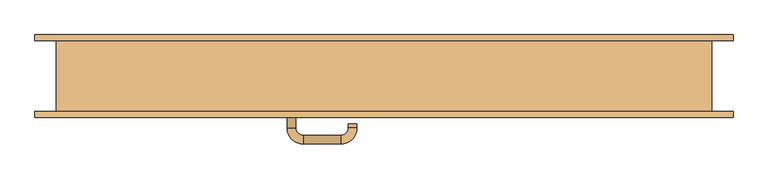
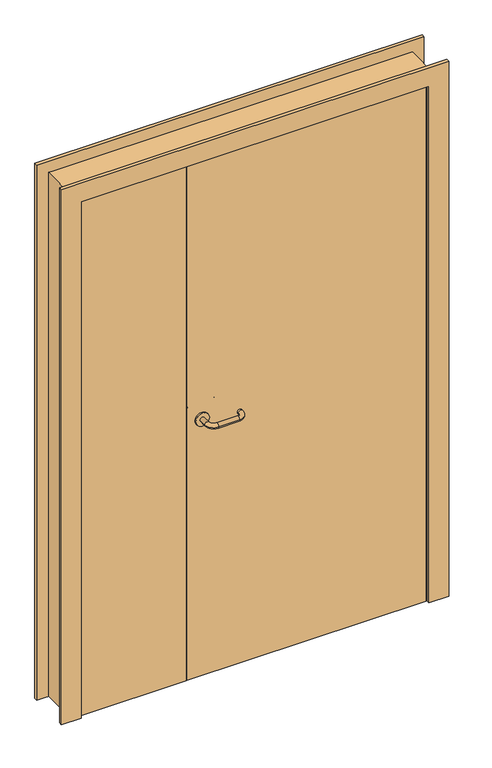
"""IFC4 building model written with IfcOpenShell, lengths in millimetres: door geometry."""

from ifc_helpers import new_model, si_unit, point, frame, origin, origin_with_axes, place, context, project, spatial, polyline, circle_curve, ellipse_curve, trimmed, outline, extrude, faceted_brep, source, transform, mapped, element, save
from ifc_brep_helpers import plane_surface, cylinder_surface, revolved_surface, advanced_brep


def door_76f3fa98(model_context):
    return source(origin(), model_context, "Body", "SolidModel", [
        advanced_brep(
        [(-169.0, -75.0, 1030.0), (-221.0, -75.0, 1030.0), (-186.0, -108.9849603, 1030.0), (-186.0, -80.0, 1030.0), (-204.0, -80.0, 1030.0), (-204.0, -108.9849603, 1030.0), (-170.0, -142.9849603, 1030.0), (-170.0, -124.9849603, 1030.0), (-91.0, -142.9849603, 1030.0), (-91.0, -124.9849603, 1030.0), (-57.0, -108.9849603, 1030.0), (-75.0, -108.9849603, 1030.0), (-75.0, -100.9849603, 1030.0), (-57.0, -100.9849603, 1030.0), (-169.0, -80.0, 1030.0), (-221.0, -80.0, 1030.0)],
        [
            (0, 1, circle_curve(frame((-195.0, -75.0, 1030.0), z_axis=(0.0, 1.0, 0.0), x_axis=(-1.0, 0.0, 0.0)), 26.0)),
            (1, 0, circle_curve(frame((-195.0, -75.0, 1030.0), z_axis=(0.0, 1.0, 0.0), x_axis=(-1.0, 0.0, 0.0)), 26.0)),
            (2, 3),
            (3, 4, circle_curve(frame((-195.0, -80.0, 1030.0), z_axis=(0.0, -1.0, 0.0), x_axis=(-1.0, 0.0, 0.0)), 9.0)),
            (4, 5),
            (5, 2, circle_curve(frame((-195.0, -108.9849603, 1030.0), z_axis=(0.0, 1.0, 0.0), x_axis=(-1.0, 0.0, 0.0)), 9.0)),
            (4, 3, circle_curve(frame((-195.0, -80.0, 1030.0), z_axis=(0.0, -1.0, 0.0), x_axis=(-1.0, 0.0, 0.0)), 9.0)),
            (2, 5, circle_curve(frame((-195.0, -108.9849603, 1030.0), z_axis=(0.0, 1.0, 0.0), x_axis=(-1.0, 0.0, 0.0)), 9.0)),
            (5, 6, circle_curve(frame((-170.0, -108.9849603, 1030.0), z_axis=(0.0, 0.0, 1.0), x_axis=(-1.0, 0.0, 0.0)), 34.0)),
            (6, 7, circle_curve(frame((-170.0, -133.9849603, 1030.0), z_axis=(-1.0, 0.0, 0.0), x_axis=(0.0, -1.0, 0.0)), 9.0)),
            (7, 2, circle_curve(frame((-170.0, -108.9849603, 1030.0), z_axis=(0.0, 0.0, -1.0), x_axis=(-1.0, 0.0, 0.0)), 16.0)),
            (7, 6, circle_curve(frame((-170.0, -133.9849603, 1030.0), z_axis=(-1.0, 0.0, 0.0), x_axis=(0.0, -1.0, 0.0)), 9.0)),
            (6, 8),
            (8, 9, circle_curve(frame((-91.0, -133.9849603, 1030.0), z_axis=(-1.0, 0.0, 0.0), x_axis=(0.0, -1.0, 0.0)), 9.0)),
            (9, 7),
            (9, 8, circle_curve(frame((-91.0, -133.9849603, 1030.0), z_axis=(-1.0, 0.0, 0.0), x_axis=(0.0, -1.0, 0.0)), 9.0)),
            (8, 10, circle_curve(frame((-91.0, -108.9849603, 1030.0), z_axis=(0.0, 0.0, 1.0), x_axis=(0.0, -1.0, 0.0)), 34.0)),
            (10, 11, circle_curve(frame((-66.0, -108.9849603, 1030.0), z_axis=(0.0, -1.0, 0.0), x_axis=(1.0, 0.0, 0.0)), 9.0)),
            (11, 9, circle_curve(frame((-91.0, -108.9849603, 1030.0), z_axis=(0.0, 0.0, -1.0), x_axis=(0.0, -1.0, 0.0)), 16.0)),
            (11, 10, circle_curve(frame((-66.0, -108.9849603, 1030.0), z_axis=(0.0, -1.0, 0.0), x_axis=(1.0, 0.0, 0.0)), 9.0)),
            (12, 13, circle_curve(frame((-66.0, -100.9849603, 1030.0), z_axis=(0.0, 1.0, 0.0), x_axis=(1.0, 0.0, 0.0)), 9.0)),
            (13, 12, circle_curve(frame((-66.0, -100.9849603, 1030.0), z_axis=(0.0, 1.0, 0.0), x_axis=(1.0, 0.0, 0.0)), 9.0)),
            (10, 13),
            (12, 11),
            (14, 15, circle_curve(frame((-195.0, -80.0, 1030.0), z_axis=(0.0, -1.0, 0.0), x_axis=(-1.0, 0.0, 0.0)), 26.0)),
            (15, 14, circle_curve(frame((-195.0, -80.0, 1030.0), z_axis=(0.0, -1.0, 0.0), x_axis=(-1.0, 0.0, 0.0)), 26.0)),
            (15, 1),
            (0, 14),
        ],
        [
            plane_surface(frame((-195.0, -75.0, 1030.0), z_axis=(0.0, 1.0, 0.0), x_axis=(0.0, 0.0, 1.0))),
            cylinder_surface(frame((-195.0, -75.0, 1030.0), z_axis=(0.0, 1.0, 0.0), x_axis=(-1.0, 0.0, 0.0)), 9.0),
            revolved_surface(trimmed(ellipse_curve(frame((-195.0, -108.9849603, 1030.0), z_axis=(0.0, -1.0, 0.0), x_axis=(-1.0, 0.0, 0.0)), 9.0, 9.0), [point((-186.0, -108.9849603, 1030.0))], [point((-204.0, -108.9849603, 1030.0))], True, "CARTESIAN"), (-170.0, -108.9849603, 1030.0), (0.0, 0.0, -1.0)),
            revolved_surface(trimmed(ellipse_curve(frame((-195.0, -108.9849603, 1030.0), z_axis=(0.0, -1.0, 0.0), x_axis=(-1.0, 0.0, 0.0)), 9.0, 9.0), [point((-204.0, -108.9849603, 1030.0))], [point((-186.0, -108.9849603, 1030.0))], True, "CARTESIAN"), (-170.0, -108.9849603, 1030.0), (0.0, 0.0, -1.0)),
            cylinder_surface(frame((-170.0, -133.9849603, 1030.0), z_axis=(-1.0, 0.0, 0.0), x_axis=(0.0, -1.0, 0.0)), 9.0),
            revolved_surface(trimmed(ellipse_curve(frame((-91.0, -133.9849603, 1030.0), z_axis=(1.0, 0.0, 0.0), x_axis=(0.0, -1.0, 0.0)), 9.0, 9.0), [point((-91.0, -124.9849603, 1030.0))], [point((-91.0, -142.9849603, 1030.0))], True, "CARTESIAN"), (-91.0, -108.9849603, 1030.0), (0.0, 0.0, -1.0)),
            revolved_surface(trimmed(ellipse_curve(frame((-91.0, -133.9849603, 1030.0), z_axis=(1.0, 0.0, 0.0), x_axis=(0.0, -1.0, 0.0)), 9.0, 9.0), [point((-91.0, -142.9849603, 1030.0))], [point((-91.0, -124.9849603, 1030.0))], True, "CARTESIAN"), (-91.0, -108.9849603, 1030.0), (0.0, 0.0, -1.0)),
            plane_surface(frame((-66.0, -100.9849603, 1030.0), z_axis=(0.0, 1.0, 0.0), x_axis=(0.0, 0.0, 1.0))),
            cylinder_surface(frame((-66.0, -108.9849603, 1030.0), z_axis=(0.0, -1.0, 0.0), x_axis=(1.0, 0.0, 0.0)), 9.0),
            plane_surface(frame((-221.0, -80.0, 1030.0), z_axis=(0.0, -1.0, 0.0), x_axis=(0.0, 0.0, 1.0))),
            cylinder_surface(frame((-195.0, -75.0, 1030.0), z_axis=(0.0, -1.0, 0.0), x_axis=(-1.0, 0.0, 0.0)), 26.0),
        ],
        [
            (0, [[1, 2]]),
            (1, [[3, 4, 5, 6]]),
            (1, [[-5, 7, -3, 8]]),
            (2, [[9, 10, 11, -6]]),
            (3, [[-11, 12, -9, -8]]),
            (4, [[13, 14, 15, -10]]),
            (4, [[-15, 16, -13, -12]]),
            (5, [[17, 18, 19, -14]]),
            (6, [[-19, 20, -17, -16]]),
            (7, [[21, 22]]),
            (8, [[23, -21, 24, -18]]),
            (8, [[-24, -22, -23, -20]]),
            (9, [[25, 26], [-7, -4]]),
            (10, [[27, -1, 28, -26]]),
            (10, [[-28, -2, -27, -25]]),
        ],
    ),
        advanced_brep(
        [(-169.0, -35.0, 1030.0), (-221.0, -35.0, 1030.0), (-186.0, -1.0150397, 1030.0), (-204.0, -1.0150397, 1030.0), (-204.0, -30.0, 1030.0), (-186.0, -30.0, 1030.0), (-170.0, 14.9849603, 1030.0), (-170.0, 32.9849603, 1030.0), (-91.0, 14.9849603, 1030.0), (-91.0, 32.9849603, 1030.0), (-75.0, -1.0150397, 1030.0), (-57.0, -1.0150397, 1030.0), (-75.0, -9.0150397, 1030.0), (-57.0, -9.0150397, 1030.0), (-169.0, -30.0, 1030.0), (-221.0, -30.0, 1030.0)],
        [
            (0, 1, circle_curve(frame((-195.0, -35.0, 1030.0), z_axis=(0.0, -1.0, 0.0), x_axis=(-1.0, 0.0, 0.0)), 26.0)),
            (1, 0, circle_curve(frame((-195.0, -35.0, 1030.0), z_axis=(0.0, -1.0, 0.0), x_axis=(-1.0, 0.0, 0.0)), 26.0)),
            (2, 3, circle_curve(frame((-195.0, -1.0150397, 1030.0), z_axis=(0.0, -1.0, 0.0), x_axis=(-1.0, 0.0, 0.0)), 9.0)),
            (3, 4),
            (4, 5, circle_curve(frame((-195.0, -30.0, 1030.0), z_axis=(0.0, 1.0, 0.0), x_axis=(-1.0, 0.0, 0.0)), 9.0)),
            (5, 2),
            (3, 2, circle_curve(frame((-195.0, -1.0150397, 1030.0), z_axis=(0.0, -1.0, 0.0), x_axis=(-1.0, 0.0, 0.0)), 9.0)),
            (5, 4, circle_curve(frame((-195.0, -30.0, 1030.0), z_axis=(0.0, 1.0, 0.0), x_axis=(-1.0, 0.0, 0.0)), 9.0)),
            (2, 6, circle_curve(frame((-170.0, -1.0150397, 1030.0), z_axis=(0.0, 0.0, -1.0), x_axis=(-1.0, 0.0, 0.0)), 16.0)),
            (6, 7, circle_curve(frame((-170.0, 23.9849603, 1030.0), z_axis=(-1.0, 0.0, 0.0), x_axis=(0.0, 1.0, 0.0)), 9.0)),
            (7, 3, circle_curve(frame((-170.0, -1.0150397, 1030.0), z_axis=(0.0, 0.0, 1.0), x_axis=(-1.0, 0.0, 0.0)), 34.0)),
            (7, 6, circle_curve(frame((-170.0, 23.9849603, 1030.0), z_axis=(-1.0, 0.0, 0.0), x_axis=(0.0, 1.0, 0.0)), 9.0)),
            (6, 8),
            (8, 9, circle_curve(frame((-91.0, 23.9849603, 1030.0), z_axis=(-1.0, 0.0, 0.0), x_axis=(0.0, 1.0, 0.0)), 9.0)),
            (9, 7),
            (9, 8, circle_curve(frame((-91.0, 23.9849603, 1030.0), z_axis=(-1.0, 0.0, 0.0), x_axis=(0.0, 1.0, 0.0)), 9.0)),
            (8, 10, circle_curve(frame((-91.0, -1.0150397, 1030.0), z_axis=(0.0, 0.0, -1.0), x_axis=(0.0, 1.0, 0.0)), 16.0)),
            (10, 11, circle_curve(frame((-66.0, -1.0150397, 1030.0), z_axis=(0.0, 1.0, 0.0), x_axis=(1.0, 0.0, 0.0)), 9.0)),
            (11, 9, circle_curve(frame((-91.0, -1.0150397, 1030.0), z_axis=(0.0, 0.0, 1.0), x_axis=(0.0, 1.0, 0.0)), 34.0)),
            (11, 10, circle_curve(frame((-66.0, -1.0150397, 1030.0), z_axis=(0.0, 1.0, 0.0), x_axis=(1.0, 0.0, 0.0)), 9.0)),
            (12, 13, circle_curve(frame((-66.0, -9.0150397, 1030.0), z_axis=(0.0, -1.0, 0.0), x_axis=(1.0, 0.0, 0.0)), 9.0)),
            (13, 12, circle_curve(frame((-66.0, -9.0150397, 1030.0), z_axis=(0.0, -1.0, 0.0), x_axis=(1.0, 0.0, 0.0)), 9.0)),
            (10, 12),
            (13, 11),
            (14, 15, circle_curve(frame((-195.0, -30.0, 1030.0), z_axis=(0.0, 1.0, 0.0), x_axis=(-1.0, 0.0, 0.0)), 26.0)),
            (15, 14, circle_curve(frame((-195.0, -30.0, 1030.0), z_axis=(0.0, 1.0, 0.0), x_axis=(-1.0, 0.0, 0.0)), 26.0)),
            (14, 0),
            (1, 15),
        ],
        [
            plane_surface(frame((-195.0, -35.0, 1030.0), z_axis=(0.0, -1.0, 0.0), x_axis=(0.0, 0.0, 1.0))),
            cylinder_surface(frame((-195.0, -35.0, 1030.0), z_axis=(0.0, -1.0, 0.0), x_axis=(-1.0, 0.0, 0.0)), 9.0),
            revolved_surface(trimmed(ellipse_curve(frame((-195.0, -1.0150397, 1030.0), z_axis=(0.0, -1.0, 0.0), x_axis=(-1.0, 0.0, 0.0)), 9.0, 9.0), [point((-186.0, -1.0150397, 1030.0))], [point((-204.0, -1.0150397, 1030.0))], True, "CARTESIAN"), (-170.0, -1.0150397, 1030.0), (0.0, 0.0, -1.0)),
            revolved_surface(trimmed(ellipse_curve(frame((-195.0, -1.0150397, 1030.0), z_axis=(0.0, -1.0, 0.0), x_axis=(-1.0, 0.0, 0.0)), 9.0, 9.0), [point((-204.0, -1.0150397, 1030.0))], [point((-186.0, -1.0150397, 1030.0))], True, "CARTESIAN"), (-170.0, -1.0150397, 1030.0), (0.0, 0.0, -1.0)),
            cylinder_surface(frame((-170.0, 23.9849603, 1030.0), z_axis=(-1.0, 0.0, 0.0), x_axis=(0.0, 1.0, 0.0)), 9.0),
            revolved_surface(trimmed(ellipse_curve(frame((-91.0, 23.9849603, 1030.0), z_axis=(-1.0, 0.0, 0.0), x_axis=(0.0, 1.0, 0.0)), 9.0, 9.0), [point((-91.0, 14.9849603, 1030.0))], [point((-91.0, 32.9849603, 1030.0))], True, "CARTESIAN"), (-91.0, -1.0150397, 1030.0), (0.0, 0.0, -1.0)),
            revolved_surface(trimmed(ellipse_curve(frame((-91.0, 23.9849603, 1030.0), z_axis=(-1.0, 0.0, 0.0), x_axis=(0.0, 1.0, 0.0)), 9.0, 9.0), [point((-91.0, 32.9849603, 1030.0))], [point((-91.0, 14.9849603, 1030.0))], True, "CARTESIAN"), (-91.0, -1.0150397, 1030.0), (0.0, 0.0, -1.0)),
            plane_surface(frame((-66.0, -9.0150397, 1030.0), z_axis=(0.0, -1.0, 0.0), x_axis=(0.0, 0.0, 1.0))),
            cylinder_surface(frame((-66.0, -1.0150397, 1030.0), z_axis=(0.0, 1.0, 0.0), x_axis=(1.0, 0.0, 0.0)), 9.0),
            plane_surface(frame((-221.0, -30.0, 1030.0), z_axis=(0.0, 1.0, 0.0), x_axis=(0.0, 0.0, 1.0))),
            cylinder_surface(frame((-195.0, -35.0, 1030.0), z_axis=(0.0, 1.0, 0.0), x_axis=(-1.0, 0.0, 0.0)), 26.0),
        ],
        [
            (0, [[1, 2]]),
            (1, [[3, 4, 5, 6]]),
            (1, [[7, -6, 8, -4]]),
            (2, [[-3, 9, 10, 11]]),
            (3, [[-7, -11, 12, -9]]),
            (4, [[-10, 13, 14, 15]]),
            (4, [[-12, -15, 16, -13]]),
            (5, [[-14, 17, 18, 19]]),
            (6, [[-16, -19, 20, -17]]),
            (7, [[21, 22]]),
            (8, [[-18, 23, -22, 24]]),
            (8, [[-20, -24, -21, -23]]),
            (9, [[25, 26], [-5, -8]]),
            (10, [[-25, 27, -2, 28]]),
            (10, [[-26, -28, -1, -27]]),
        ],
    ),
        extrude(outline(polyline([(2070.0, -660.0), (2070.0, 660.0), (0.0, 660.0), (0.0, 735.0), (2145.0, 735.0), (2145.0, -735.0), (0.0, -735.0), (0.0, -660.0), (2070.0, -660.0)])), frame((0.0, 75.0, 0.0), z_axis=(0.0, 1.0, 0.0), x_axis=(0.0, 0.0, 1.0)), (0.0, 0.0, 1.0), 12.0),
        extrude(outline(polyline([(2145.0, -735.0), (0.0, -735.0), (0.0, -660.0), (2070.0, -660.0), (2070.0, 660.0), (0.0, 660.0), (0.0, 735.0), (2145.0, 735.0), (2145.0, -735.0)])), frame((0.0, -87.0, 0.0), z_axis=(0.0, 1.0, 0.0), x_axis=(0.0, 0.0, 1.0)), (0.0, 0.0, 1.0), 12.0),
        faceted_brep([(-690.0, 75.0, 0.0), (-650.0, 75.0, 0.0), (-650.0, -35.0, 0.0), (-660.0, -35.0, 0.0), (-660.0, -75.0, 0.0), (-690.0, -75.0, 0.0), (-690.0, 75.0, 2100.0), (690.0, 75.0, 2100.0), (690.0, 75.0, 0.0), (650.0, 75.0, 0.0), (650.0, 75.0, 2060.0), (-650.0, 75.0, 2060.0), (-650.0, -35.0, 2060.0), (650.0, -35.0, 2060.0), (650.0, -35.0, 0.0), (660.0, -35.0, 0.0), (660.0, -35.0, 2070.0), (-660.0, -35.0, 2070.0), (-660.0, -75.0, 2070.0), (660.0, -75.0, 2070.0), (660.0, -75.0, 0.0), (690.0, -75.0, 0.0), (690.0, -75.0, 2100.0), (-690.0, -75.0, 2100.0)], [[[0, 1, 2, 3, 4, 5]], [[1, 0, 6, 7, 8, 9, 10, 11]], [[2, 1, 11, 12]], [[3, 2, 12, 13, 14, 15, 16, 17]], [[4, 3, 17, 18]], [[5, 4, 18, 19, 20, 21, 22, 23]], [[0, 5, 23, 6]], [[7, 22, 21, 8]], [[8, 21, 20, 15, 14, 9]], [[13, 10, 9, 14]], [[19, 16, 15, 20]], [[12, 11, 10, 13]], [[18, 17, 16, 19]], [[6, 23, 22, 7]]]),
        extrude(outline(polyline([(-655.0, -75.0), (-655.0, -35.0), (-255.0, -35.0), (-255.0, -75.0), (-655.0, -75.0)])), origin_with_axes(), (0.0, 0.0, 1.0), 2065.0),
        extrude(outline(polyline([(-250.0, -75.0), (-250.0, -35.0), (655.0, -35.0), (655.0, -75.0), (-250.0, -75.0)])), origin_with_axes(), (0.0, 0.0, 1.0), 2065.0),
    ])


if __name__ == "__main__":
    model = new_model("IFC4")
    model_context = context("Model", 3, world=origin())
    ifc_project = project(units=[si_unit("LENGTHUNIT", "METRE", prefix="MILLI")], contexts=[model_context])
    site = spatial("IfcSite", under=ifc_project)
    building = spatial("IfcBuilding", under=site)
    placement = place(None, origin())
    door_shape = door_76f3fa98(model_context)
    element("IfcDoor", 1, at=placement, inside=building, context=model_context, shape_type="MappedRepresentation", body=[
        mapped(door_shape, transform((0.0, 0.0, 0.0), x_axis=(1.0, 0.0, 0.0), y_axis=(0.0, 1.0, 0.0), z_axis=(0.0, 0.0, 1.0))),
    ])
    save(model, "model.ifc")
